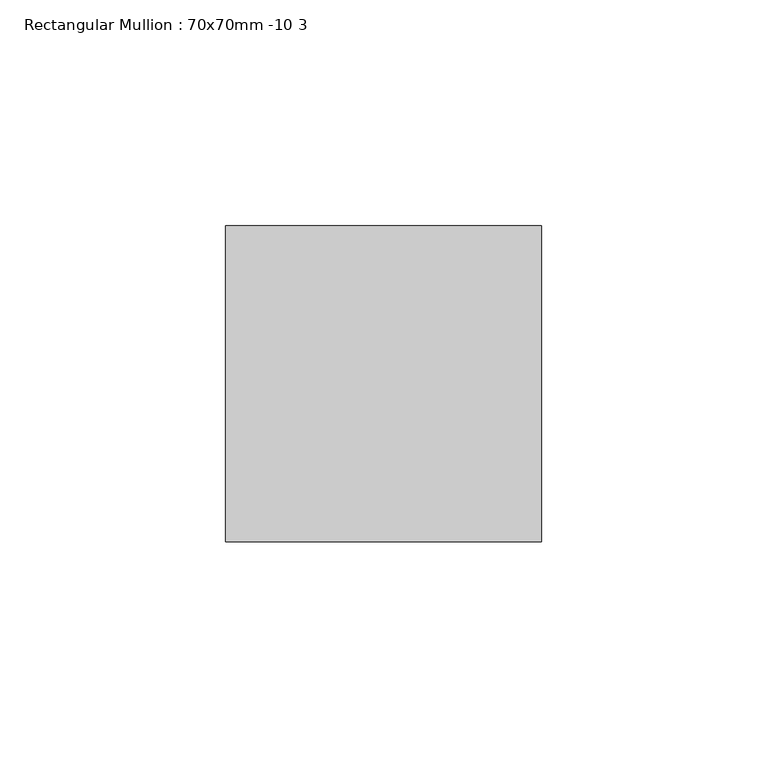
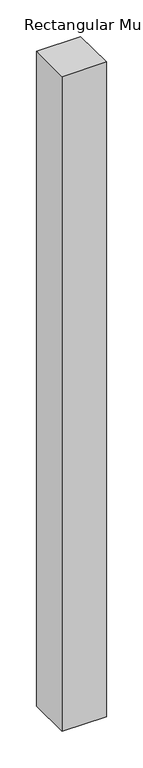
"""IFC4 building model written with IfcOpenShell, lengths in millimetres: member geometry, Rectangular Mullion : 70x70mm -10 3."""

from ifc_helpers import new_model, si_unit, frame, origin, place, context, project, spatial, polyline, outline, extrude, source, transform, mapped, element, save


def rectangular_mullion_70x70mm_10_3_8f47ff4e(model_context):
    return source(origin(), model_context, "Body", "SweptSolid", [
        extrude(outline(polyline([(35.0, 45.0), (35.0, -25.0), (-35.0, -25.0), (-35.0, 45.0), (35.0, 45.0)])), frame((0.0, 0.0, -1092.9178002), z_axis=(0.0, 0.0, 1.0), x_axis=(1.0, 0.0, 0.0)), (0.0, 0.0, 1.0), 1092.9178002),
    ])


if __name__ == "__main__":
    model = new_model("IFC4")
    model_context = context("Model", 3, world=origin())
    ifc_project = project(units=[si_unit("LENGTHUNIT", "METRE", prefix="MILLI")], contexts=[model_context])
    site = spatial("IfcSite", under=ifc_project)
    building = spatial("IfcBuilding", under=site)
    placement = place(None, origin())
    rectangular_mullion_70x70mm_10_3_shape = rectangular_mullion_70x70mm_10_3_8f47ff4e(model_context)
    element("IfcMember", 1, ObjectType="Rectangular Mullion : 70x70mm -10 3", at=placement, inside=building, context=model_context, shape_type="MappedRepresentation", body=[
        mapped(rectangular_mullion_70x70mm_10_3_shape, transform((0.0, 0.0, 0.0), x_axis=(1.0, 0.0, 0.0), y_axis=(0.0, 1.0, 0.0), z_axis=(0.0, 0.0, 1.0))),
    ])
    save(model, "model.ifc")
